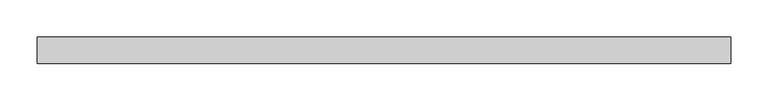
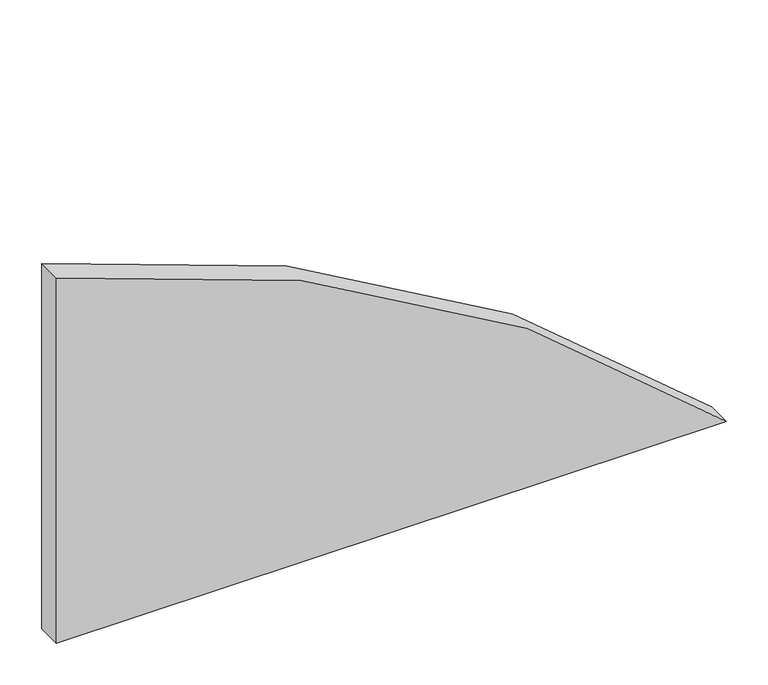
"""IFC4 building model written with IfcOpenShell, lengths in millimetres: plate geometry."""

from ifc_helpers import new_model, si_unit, point, frame, frame_2d, origin, place, context, project, spatial, polyline, circle_curve, trimmed, segment, composite_curve, outline, extrude, source, transform, mapped, element, save


def plate_636bb8b5(model_context):
    return source(origin(), model_context, "Body", "SweptSolid", [
        extrude(outline(composite_curve([segment(polyline([(0.0, -463.6186411), (0.0, 463.6186411)]), True, "CONTINUOUS"), segment(trimmed(circle_curve(frame_2d((-1440.1861711, -984.8061411)), 2042.5647008), [point((0.0, 463.6186411))], [point((534.7655111, -463.6186411))], False, "CARTESIAN"), True, "CONTINUOUS"), segment(polyline([(534.7655111, -463.6186411), (0.0, -463.6186411)]), True, "CONTINUOUS")], self_intersect=False)), frame((0.0, -17.5, 0.0), z_axis=(0.0, 1.0, 0.0), x_axis=(0.0, 0.0, 1.0)), (0.0, 0.0, 1.0), 35.0),
    ])


if __name__ == "__main__":
    model = new_model("IFC4")
    model_context = context("Model", 3, world=origin())
    ifc_project = project(units=[si_unit("LENGTHUNIT", "METRE", prefix="MILLI")], contexts=[model_context])
    site = spatial("IfcSite", under=ifc_project)
    building = spatial("IfcBuilding", under=site)
    placement = place(None, origin())
    plate_shape = plate_636bb8b5(model_context)
    element("IfcPlate", 1, at=placement, inside=building, context=model_context, shape_type="MappedRepresentation", body=[
        mapped(plate_shape, transform((0.0, 0.0, 0.0), x_axis=(1.0, 0.0, 0.0), y_axis=(0.0, 1.0, 0.0), z_axis=(0.0, 0.0, 1.0))),
    ])
    save(model, "model.ifc")
